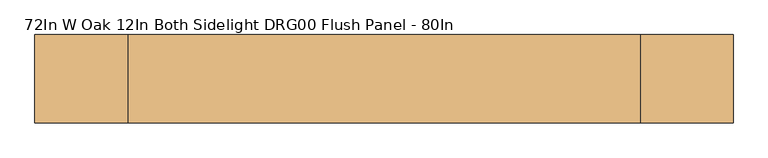
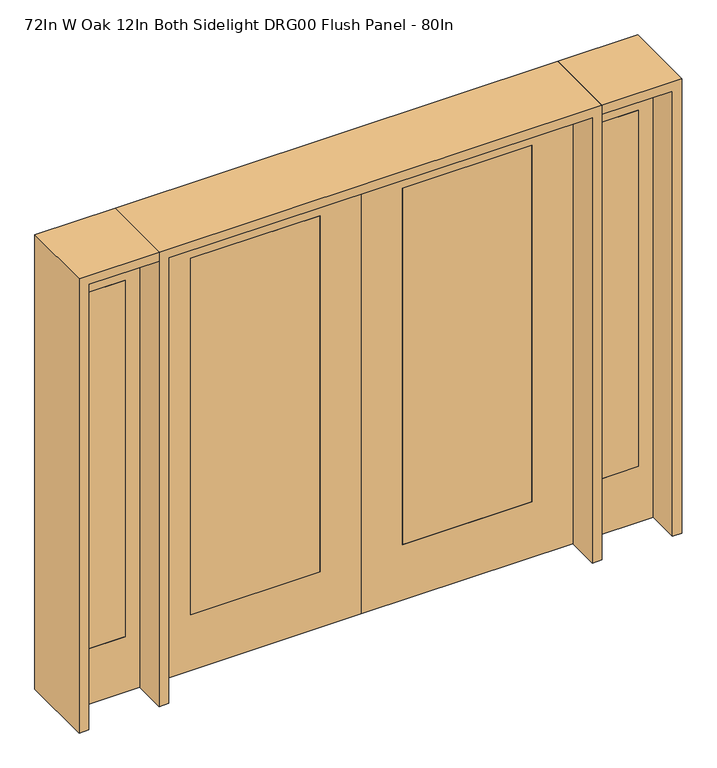
"""IFC4 building model written with IfcOpenShell, lengths in millimetres: door geometry, 72In W Oak 12In Both Sidelight DRG00 Flush Panel - 80In."""

from ifc_helpers import new_model, si_unit, frame, origin, place, context, project, spatial, polyline, outline, extrude, source, transform, mapped, element, save


def door_72in_w_oak_12in_both_sidelight_drg00_flush_panel_80in_f9d39131(model_context):
    return source(origin(), model_context, "Body", "SweptSolid", [
        extrude(outline(polyline([(2032.0, -914.4), (0.0, -914.4), (0.0, 0.0), (2032.0, 0.0), (2032.0, -914.4)]), holes=[polyline([(254.0, -736.6), (1879.6, -736.6), (1879.6, -177.8), (254.0, -177.8), (254.0, -736.6)])]), frame((0.0, -20.701, 0.0), z_axis=(0.0, 1.0, 0.0), x_axis=(0.0, 0.0, 1.0)), (0.0, 0.0, 1.0), 41.402),
        extrude(outline(polyline([(-736.6, -20.701), (-736.6, 20.701), (-177.8, 20.701), (-177.8, -20.701), (-736.6, -20.701)])), frame((0.0, 0.0, 254.0), z_axis=(0.0, 0.0, 1.0), x_axis=(1.0, 0.0, 0.0)), (0.0, 0.0, 1.0), 1625.6),
        extrude(outline(polyline([(1196.975, -20.6375), (1019.175, -20.6375), (1019.175, 20.6375), (1196.975, 20.6375), (1196.975, -20.6375)])), frame((0.0, 0.0, 254.0), z_axis=(0.0, 0.0, 1.0), x_axis=(1.0, 0.0, 0.0)), (0.0, 0.0, 1.0), 1625.6),
        extrude(outline(polyline([(0.0, 955.675), (0.0, 1260.475), (2032.0, 1260.475), (2032.0, 955.675), (0.0, 955.675)]), holes=[polyline([(1879.6, 1196.975), (254.0, 1196.975), (254.0, 1019.175), (1879.6, 1019.175), (1879.6, 1196.975)])]), frame((0.0, -20.6375, 0.0), z_axis=(0.0, 1.0, 0.0), x_axis=(0.0, 0.0, 1.0)), (0.0, 0.0, 1.0), 41.275),
        extrude(outline(polyline([(-1019.175, -20.6375), (-1196.975, -20.6375), (-1196.975, 20.6375), (-1019.175, 20.6375), (-1019.175, -20.6375)])), frame((0.0, 0.0, 254.0), z_axis=(0.0, 0.0, 1.0), x_axis=(1.0, 0.0, 0.0)), (0.0, 0.0, 1.0), 1625.6),
        extrude(outline(polyline([(0.0, -1260.475), (0.0, -955.675), (2032.0, -955.675), (2032.0, -1260.475), (0.0, -1260.475)]), holes=[polyline([(1879.6, -1019.175), (254.0, -1019.175), (254.0, -1196.975), (1879.6, -1196.975), (1879.6, -1019.175)])]), frame((0.0, -20.6375, 0.0), z_axis=(0.0, 1.0, 0.0), x_axis=(0.0, 0.0, 1.0)), (0.0, 0.0, 1.0), 41.275),
        extrude(outline(polyline([(2032.0, 914.4), (2032.0, 0.0), (0.0, 0.0), (0.0, 914.4), (2032.0, 914.4)]), holes=[polyline([(254.0, 736.6), (254.0, 177.8), (1879.6, 177.8), (1879.6, 736.6), (254.0, 736.6)])]), frame((0.0, -20.701, 0.0), z_axis=(0.0, 1.0, 0.0), x_axis=(0.0, 0.0, 1.0)), (0.0, 0.0, 1.0), 41.402),
        extrude(outline(polyline([(736.6, -20.701), (177.8, -20.701), (177.8, 20.701), (736.6, 20.701), (736.6, -20.701)])), frame((0.0, 0.0, 254.0), z_axis=(0.0, 0.0, 1.0), x_axis=(1.0, 0.0, 0.0)), (0.0, 0.0, 1.0), 1625.6),
        extrude(outline(polyline([(2032.0, -955.675), (2073.275, -955.675), (2073.275, -1301.75), (0.0, -1301.75), (0.0, -1260.475), (2032.0, -1260.475), (2032.0, -955.675)])), frame((0.0, -165.1, 0.0), z_axis=(0.0, 1.0, 0.0), x_axis=(0.0, 0.0, 1.0)), (0.0, 0.0, 1.0), 330.2),
        extrude(outline(polyline([(2073.275, -955.675), (0.0, -955.675), (0.0, -914.4), (2032.0, -914.4), (2032.0, 914.4), (0.0, 914.4), (0.0, 955.675), (2073.275, 955.675), (2073.275, -955.675)])), frame((0.0, -165.1, 0.0), z_axis=(0.0, 1.0, 0.0), x_axis=(0.0, 0.0, 1.0)), (0.0, 0.0, 1.0), 330.2),
        extrude(outline(polyline([(0.0, 1260.475), (0.0, 1301.75), (2073.275, 1301.75), (2073.275, 955.675), (2032.0, 955.675), (2032.0, 1260.475), (0.0, 1260.475)])), frame((0.0, -165.1, 0.0), z_axis=(0.0, 1.0, 0.0), x_axis=(0.0, 0.0, 1.0)), (0.0, 0.0, 1.0), 330.2),
    ])


if __name__ == "__main__":
    model = new_model("IFC4")
    model_context = context("Model", 3, world=origin())
    ifc_project = project(units=[si_unit("LENGTHUNIT", "METRE", prefix="MILLI")], contexts=[model_context])
    site = spatial("IfcSite", under=ifc_project)
    building = spatial("IfcBuilding", under=site)
    placement = place(None, origin())
    door_72in_w_oak_12in_both_sidelight_drg00_flush_panel_80in_shape = door_72in_w_oak_12in_both_sidelight_drg00_flush_panel_80in_f9d39131(model_context)
    element("IfcDoor", 1, ObjectType="72In W Oak 12In Both Sidelight DRG00 Flush Panel - 80In", at=placement, inside=building, context=model_context, shape_type="MappedRepresentation", body=[
        mapped(door_72in_w_oak_12in_both_sidelight_drg00_flush_panel_80in_shape, transform((0.0, 0.0, 0.0), x_axis=(1.0, 0.0, 0.0), y_axis=(0.0, 1.0, 0.0), z_axis=(0.0, 0.0, 1.0))),
    ])
    save(model, "model.ifc")
